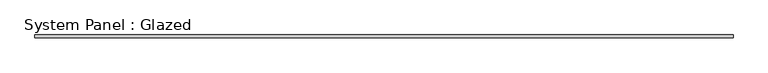
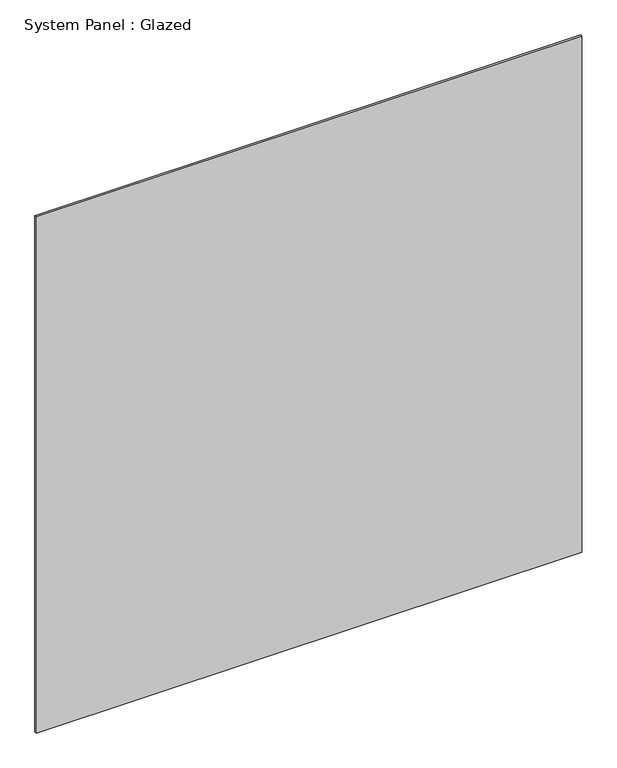
"""IFC4 building model written with IfcOpenShell, lengths in millimetres: plate geometry, System Panel : Glazed."""

from ifc_helpers import new_model, si_unit, origin, origin_with_axes, place, context, project, spatial, polyline, outline, extrude, source, transform, mapped, element, save


def system_panel_glazed_efa9f1ae(model_context):
    return source(origin(), model_context, "Body", "SweptSolid", [
        extrude(outline(polyline([(728.6625, -55.75), (-728.6625, -55.75), (-728.6625, -49.45), (728.6625, -49.45), (728.6625, -55.75)])), origin_with_axes(), (0.0, 0.0, 1.0), 1457.325),
    ])


if __name__ == "__main__":
    model = new_model("IFC4")
    model_context = context("Model", 3, world=origin())
    ifc_project = project(units=[si_unit("LENGTHUNIT", "METRE", prefix="MILLI")], contexts=[model_context])
    site = spatial("IfcSite", under=ifc_project)
    building = spatial("IfcBuilding", under=site)
    placement = place(None, origin())
    system_panel_glazed_shape = system_panel_glazed_efa9f1ae(model_context)
    element("IfcPlate", 1, ObjectType="System Panel : Glazed", at=placement, inside=building, context=model_context, shape_type="MappedRepresentation", body=[
        mapped(system_panel_glazed_shape, transform((0.0, 0.0, 0.0), x_axis=(1.0, 0.0, 0.0), y_axis=(0.0, 1.0, 0.0), z_axis=(0.0, 0.0, 1.0))),
    ])
    save(model, "model.ifc")
